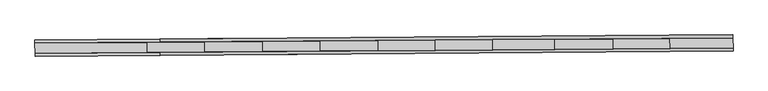
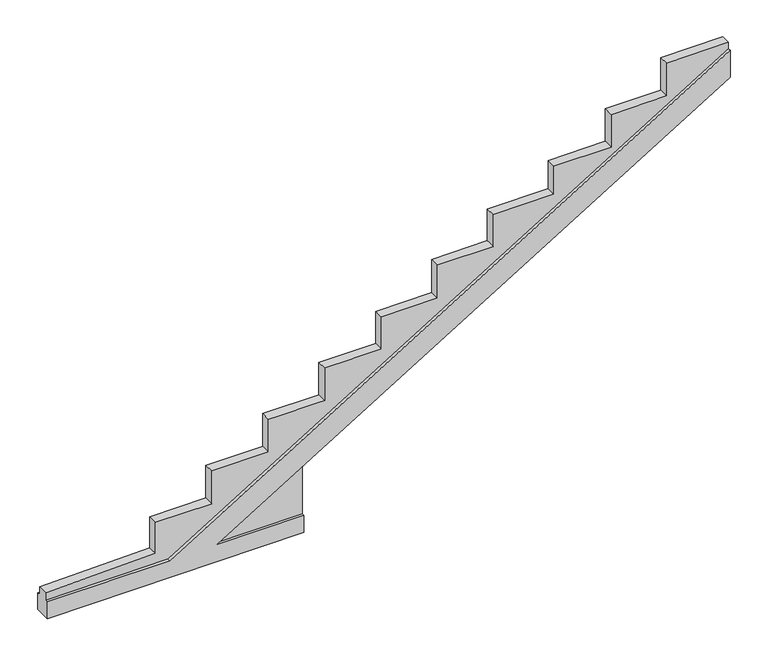
"""IFC4 building model written with IfcOpenShell, lengths in millimetres: beam geometry."""

from ifc_helpers import new_model, si_unit, origin, place, context, project, spatial, faceted_brep, source, transform, mapped, element, save


def beam_467518ba(model_context):
    return source(origin(), model_context, "Body", "Brep", [
        faceted_brep([(116810.8995331, 91828.4599153, -259.125), (116810.8995331, 91828.4599153, -51.4737243), (115775.4618146, 91820.8150308, -51.4737243), (121845.052147, 91865.6282689, 3618.1066772), (121845.052147, 91865.6282689, 3950.5418954), (115225.6045107, 91816.7553028, -51.4737243), (113781.8985956, 91806.0960765, -51.4737243), (113781.8985956, 91806.0960765, -259.125), (116809.4978624, 92018.3048626, -259.125), (113780.4969249, 91995.9410238, -259.125), (113780.4969249, 91995.9410238, -51.4737243), (115224.20284, 92006.6002501, -51.4737243), (121843.6504763, 92055.4732162, 3950.5418954), (121843.6504763, 92055.4732162, 3618.1066772), (115774.060144, 92010.6599782, -51.4737243), (116809.4978624, 92018.3048626, -51.4737243), (113781.641505, 91840.9169136, -51.4737243), (113781.641505, 91840.9169136, 41.4395436), (113780.7766955, 91958.0483612, 41.4395436), (113780.7766955, 91958.0483612, -51.4737243), (115225.3474201, 91851.5761399, -51.4737243), (115224.4826106, 91968.7075875, -51.4737243), (121844.7950564, 91900.449106, 3950.5418954), (121843.9302469, 92017.5805537, 3950.5418954), (121843.9302469, 92017.5805537, 4027.5116193), (121844.7950564, 91900.449106, 4027.5116193), (115775.2047241, 91855.6358679, -51.4737243), (116810.6424425, 91863.2807524, 574.5358992), (116809.777633, 91980.4122001, 574.5358992), (115774.3399146, 91972.7673156, -51.4737243), (116810.6424425, 91863.2807524, -51.4737243), (116809.777633, 91980.4122001, -51.4737243), (121116.7581196, 91895.0738351, 4027.5116193), (121116.7581196, 91895.0738351, 3622.5728422), (120460.0053528, 91890.2248722, 3622.5728422), (120460.0053528, 91890.2248722, 3218.8243174), (119784.9290236, 91885.2406221, 3218.8243174), (119784.9290236, 91885.2406221, 2869.1545552), (119067.842645, 91879.9462017, 2869.1818193), (119067.842645, 91879.9462017, 2474.4530587), (118407.5919615, 91875.0714129, 2474.4823458), (118407.5919615, 91875.0714129, 2064.5980162), (117747.3412781, 91870.1966241, 2064.6273032), (117747.3412781, 91870.1966241, 1668.0365194), (117076.3536368, 91865.2425618, 1668.0662827), (117076.3536368, 91865.2425618, 1264.828726), (116413.5462732, 91860.3488964, 1264.8581264), (116413.5462732, 91860.3488964, 859.4049787), (115744.4331644, 91855.4086741, 859.4346589), (115744.4331644, 91855.4086741, 453.9815112), (115079.7512683, 91850.5011686, 454.0109948), (115079.7512683, 91850.5011686, 68.6756082), (115078.8864588, 91967.6326163, 68.6756082), (115078.8864588, 91967.6326163, 454.0109948), (115743.5683549, 91972.5401218, 453.9815112), (115743.5683549, 91972.5401218, 859.4346589), (116412.6814637, 91977.480344, 859.4049787), (116412.6814637, 91977.480344, 1264.8581264), (117075.4888273, 91982.3740094, 1264.828726), (117075.4888273, 91982.3740094, 1668.0662827), (117746.4764686, 91987.3280718, 1668.0365194), (117746.4764686, 91987.3280718, 2064.6273032), (118406.727152, 91992.2028606, 2064.5980162), (118406.727152, 91992.2028606, 2474.4823458), (119066.9778355, 91997.0776494, 2474.4530587), (119066.9778355, 91997.0776494, 2869.1818193), (119784.0642141, 92002.3720698, 2869.1545552), (119784.0642141, 92002.3720698, 3218.8243174), (120459.1405433, 92007.3563199, 3218.8243174), (120459.1405433, 92007.3563199, 3622.5728422), (121115.8933101, 92012.2052827, 3622.5728422), (121115.8933101, 92012.2052827, 4027.5116193)], [[[0, 1, 2, 3, 4, 5, 6, 7]], [[8, 9, 10, 11, 12, 13, 14, 15]], [[8, 0, 7, 9]], [[7, 6, 16, 17, 18, 19, 10, 9]], [[6, 5, 20, 16]], [[11, 10, 19, 21]], [[5, 4, 22, 20]], [[12, 11, 21, 23]], [[4, 3, 13, 12, 23, 24, 25, 22]], [[3, 2, 26, 27, 28, 29, 14, 13]], [[2, 1, 30, 26]], [[15, 14, 29, 31]], [[1, 0, 8, 15, 31, 28, 27, 30]], [[25, 32, 33, 34, 35, 36, 37, 38, 39, 40, 41, 42, 43, 44, 45, 46, 47, 48, 49, 50, 51, 17, 16, 20, 22]], [[30, 27, 26]], [[28, 31, 29]], [[18, 52, 53, 54, 55, 56, 57, 58, 59, 60, 61, 62, 63, 64, 65, 66, 67, 68, 69, 70, 71, 24, 23, 21, 19]], [[37, 36, 67, 66]], [[36, 35, 68, 67]], [[35, 34, 69, 68]], [[34, 33, 70, 69]], [[33, 32, 71, 70]], [[32, 25, 24, 71]], [[17, 51, 52, 18]], [[51, 50, 53, 52]], [[50, 49, 54, 53]], [[49, 48, 55, 54]], [[48, 47, 56, 55]], [[47, 46, 57, 56]], [[46, 45, 58, 57]], [[45, 44, 59, 58]], [[44, 43, 60, 59]], [[43, 42, 61, 60]], [[42, 41, 62, 61]], [[41, 40, 63, 62]], [[40, 39, 64, 63]], [[39, 38, 65, 64]], [[38, 37, 66, 65]]]),
    ])


if __name__ == "__main__":
    model = new_model("IFC4")
    model_context = context("Model", 3, world=origin())
    ifc_project = project(units=[si_unit("LENGTHUNIT", "METRE", prefix="MILLI")], contexts=[model_context])
    site = spatial("IfcSite", under=ifc_project)
    building = spatial("IfcBuilding", under=site)
    placement = place(None, origin())
    beam_shape = beam_467518ba(model_context)
    element("IfcBeam", 1, at=placement, inside=building, context=model_context, shape_type="MappedRepresentation", body=[
        mapped(beam_shape, transform((0.0, 0.0, 0.0), x_axis=(1.0, 0.0, 0.0), y_axis=(0.0, 1.0, 0.0), z_axis=(0.0, 0.0, 1.0))),
    ])
    save(model, "model.ifc")
